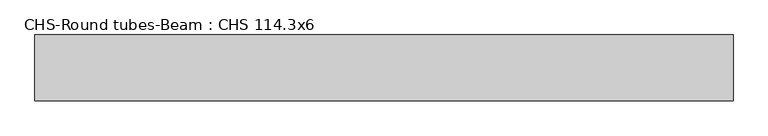
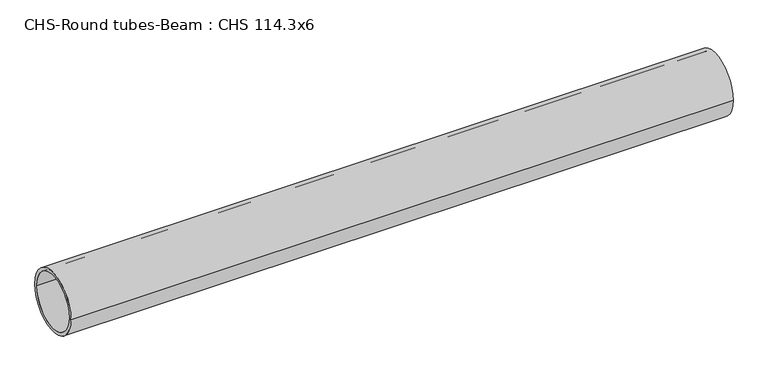
"""IFC4 building model written with IfcOpenShell, lengths in millimetres: beam geometry, CHS-Round tubes-Beam : CHS 114.3x6."""

from ifc_helpers import new_model, si_unit, point, frame, origin, origin_2d, place, context, project, spatial, circle_curve, trimmed, segment, composite_curve, outline, extrude, source, transform, mapped, element, save


def chs_round_tubes_beam_chs_114_3x6_5f387839(model_context):
    return source(origin(), model_context, "Body", "SweptSolid", [
        extrude(outline(composite_curve([segment(trimmed(circle_curve(origin_2d(), 57.15), [point((57.15, 0.0))], [point((-57.15, 0.0))], False, "CARTESIAN"), True, "CONTINUOUS"), segment(trimmed(circle_curve(origin_2d(), 57.15), [point((-57.15, 0.0))], [point((57.15, 0.0))], False, "CARTESIAN"), True, "CONTINUOUS")], self_intersect=False), holes=[composite_curve([segment(trimmed(circle_curve(origin_2d(), 51.15), [point((51.15, 0.0))], [point((-51.15, 0.0))], True, "CARTESIAN"), True, "CONTINUOUS"), segment(trimmed(circle_curve(origin_2d(), 51.15), [point((-51.15, 0.0))], [point((51.15, 0.0))], True, "CARTESIAN"), True, "CONTINUOUS")], self_intersect=False)]), frame((-640.2620671, 0.0, 0.0), z_axis=(1.0, 0.0, 0.0), x_axis=(0.0, 1.0, 0.0)), (0.0, 0.0, 1.0), 1212.3723405),
    ])


if __name__ == "__main__":
    model = new_model("IFC4")
    model_context = context("Model", 3, world=origin())
    ifc_project = project(units=[si_unit("LENGTHUNIT", "METRE", prefix="MILLI")], contexts=[model_context])
    site = spatial("IfcSite", under=ifc_project)
    building = spatial("IfcBuilding", under=site)
    placement = place(None, origin())
    chs_round_tubes_beam_chs_114_3x6_shape = chs_round_tubes_beam_chs_114_3x6_5f387839(model_context)
    element("IfcBeam", 1, ObjectType="CHS-Round tubes-Beam : CHS 114.3x6", at=placement, inside=building, context=model_context, shape_type="MappedRepresentation", body=[
        mapped(chs_round_tubes_beam_chs_114_3x6_shape, transform((0.0, 0.0, 0.0), x_axis=(1.0, 0.0, 0.0), y_axis=(0.0, 1.0, 0.0), z_axis=(0.0, 0.0, 1.0))),
    ])
    save(model, "model.ifc")
